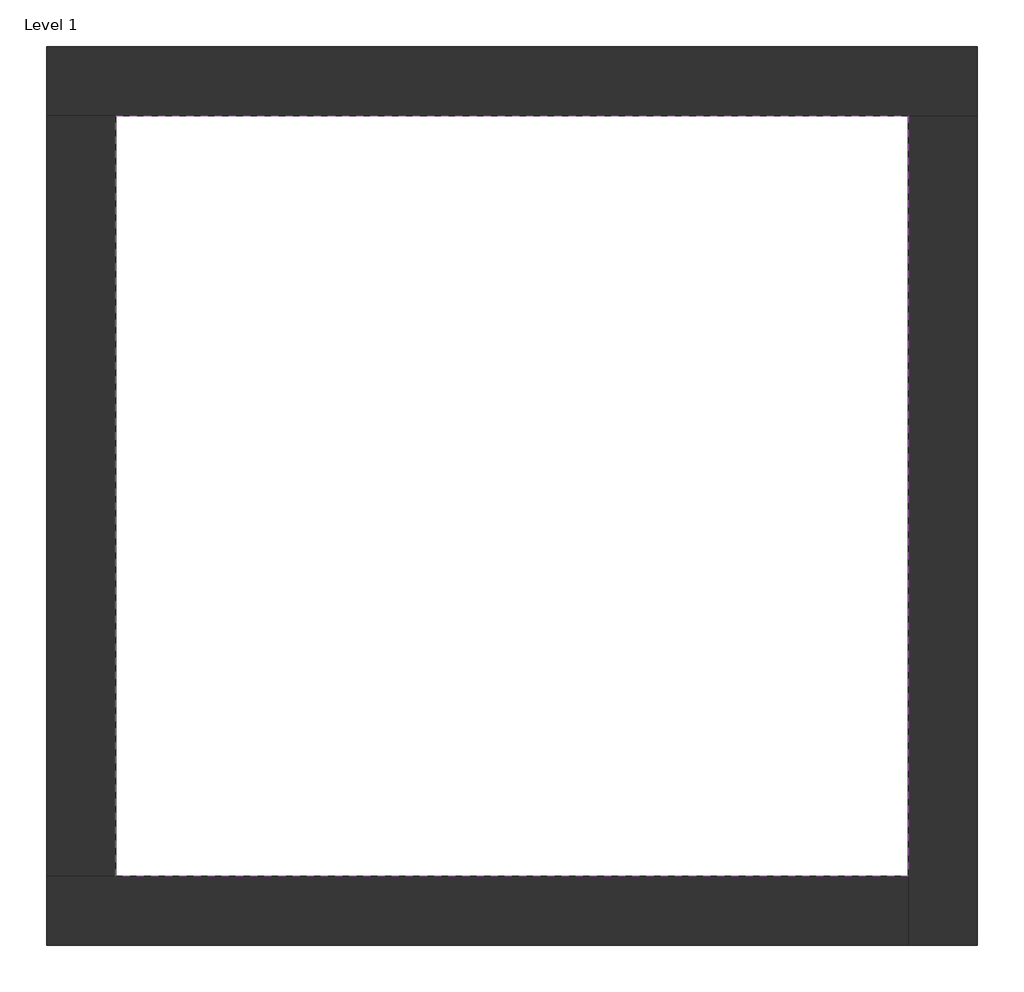
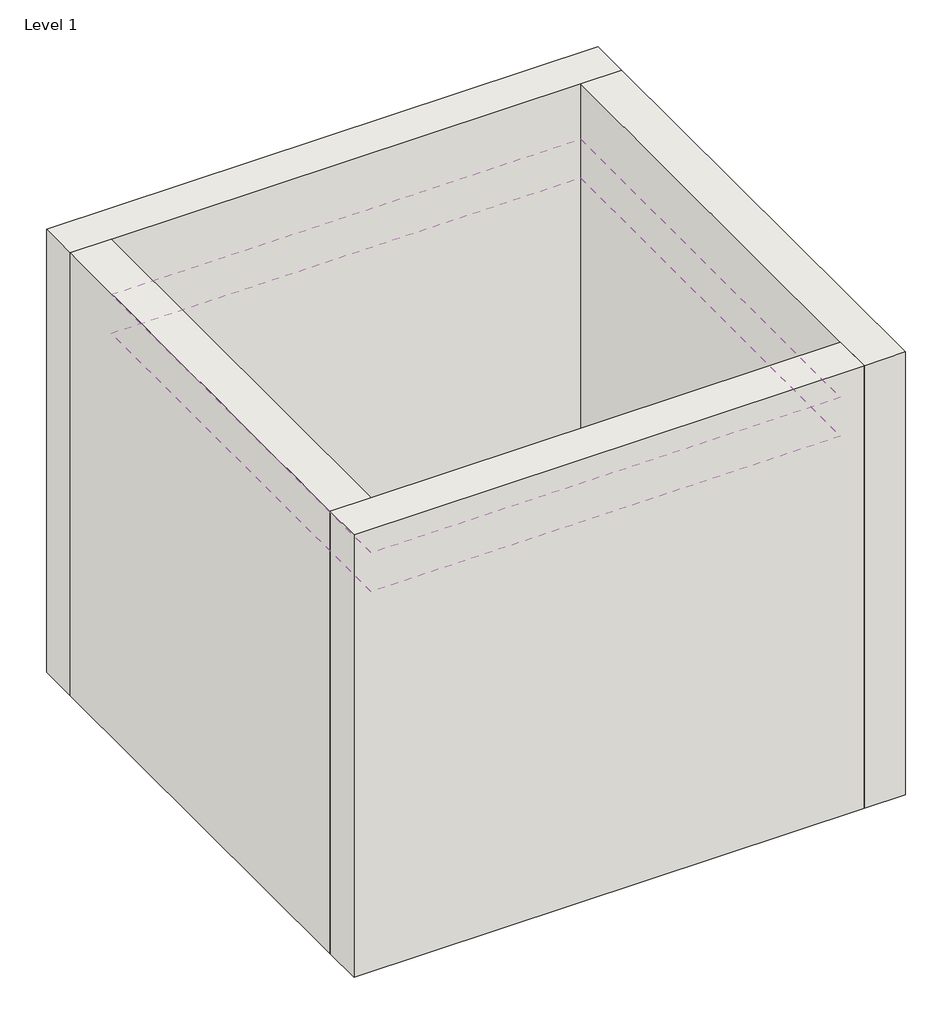
# One storey: 4 walls, 2 coverings.
"""IFC4 building model written with IfcOpenShell, lengths in millimetres."""

from ifc_helpers import new_model, si_unit, frame, origin, origin_with_axes, place, context, project, spatial, polyline, outline, extrude, faceted_brep, element, save

model = new_model("IFC4")

# Units and contexts
model_context = context("Model", 3, world=origin())
ifc_project = project(units=[si_unit("LENGTHUNIT", "METRE", prefix="MILLI")], contexts=[model_context])

# Site, building, storey
site = spatial("IfcSite", under=ifc_project)
building = spatial("IfcBuilding", under=site)
storey = spatial("IfcBuildingStorey", under=building, Name="Level 1", Elevation=0.0)

# Coverings
placement = place(None, origin())
element("IfcCovering", 1, at=placement, inside=storey, context=model_context, shape_type="SweptSolid", body=[
    extrude(outline(polyline([(-14894.8573003, 6921.2750283), (-10882.3573003, 6921.2750283), (-10882.3573003, 3071.2750283), (-14894.8573003, 3071.2750283), (-14894.8573003, 6921.2750283)])), frame((0.0, 0.0, 3500.0), z_axis=(0.0, 0.0, 1.0), x_axis=(1.0, 0.0, 0.0)), (0.0, 0.0, 1.0), 25.0),
])
element("IfcCovering", 2, at=placement, inside=storey, context=model_context, shape_type="SweptSolid", body=[
    extrude(outline(polyline([(-14894.8573003, 6921.2750283), (-10882.3573003, 6921.2750283), (-10882.3573003, 3071.2750283), (-14894.8573003, 3071.2750283), (-14894.8573003, 6921.2750283)])), frame((0.0, 0.0, 3150.0), z_axis=(0.0, 0.0, 1.0), x_axis=(1.0, 0.0, 0.0)), (0.0, 0.0, 1.0), 25.0),
])

# Walls
element("IfcWall", 3, ObjectType="Exterior - Brick on Mtl. Stud", at=placement, inside=storey, context=model_context, shape_type="Brep", body=[
    faceted_brep([(-15244.8573003, 6921.2750283, 0.0), (-14894.8573003, 6921.2750283, 0.0), (-10882.3573003, 6921.2750283, 0.0), (-10532.3573003, 6921.2750283, 0.0), (-10532.3573003, 6921.2750283, 4000.0), (-10882.3573003, 6921.2750283, 4000.0), (-14894.8573003, 6921.2750283, 4000.0), (-15244.8573003, 6921.2750283, 4000.0), (-15244.8573003, 7271.2750283, 0.0), (-15244.8573003, 7271.2750283, 4000.0), (-10532.3573003, 7271.2750283, 4000.0), (-10532.3573003, 7271.2750283, 0.0)], [[[0, 1, 2, 3, 4, 5, 6, 7]], [[8, 9, 10, 11]], [[3, 2, 1, 0, 8, 11]], [[7, 6, 5, 4, 10, 9]], [[0, 7, 9, 8]], [[4, 3, 11, 10]]]),
])
element("IfcWall", 4, ObjectType="Exterior - Brick on Mtl. Stud", at=placement, inside=storey, context=model_context, shape_type="Brep", body=[
    faceted_brep([(-10882.3573003, 6921.2750283, 0.0), (-10882.3573003, 3071.2750283, 0.0), (-10882.3573003, 2721.2750283, 0.0), (-10882.3573003, 2721.2750283, 4000.0), (-10882.3573003, 3071.2750283, 4000.0), (-10882.3573003, 6921.2750283, 4000.0), (-10532.3573003, 6921.2750283, 0.0), (-10532.3573003, 6921.2750283, 4000.0), (-10532.3573003, 2721.2750283, 4000.0), (-10532.3573003, 2721.2750283, 0.0)], [[[0, 1, 2, 3, 4, 5]], [[6, 7, 8, 9]], [[2, 1, 0, 6, 9]], [[5, 4, 3, 8, 7]], [[3, 2, 9, 8]], [[0, 5, 7, 6]]]),
])
element("IfcWall", 5, ObjectType="Exterior - Brick on Mtl. Stud", at=placement, inside=storey, context=model_context, shape_type="Brep", body=[
    faceted_brep([(-10882.3573003, 3071.2750283, 0.0), (-14894.8573003, 3071.2750283, 0.0), (-15244.8573003, 3071.2750283, 0.0), (-15244.8573003, 3071.2750283, 4000.0), (-14894.8573003, 3071.2750283, 4000.0), (-10882.3573003, 3071.2750283, 4000.0), (-10882.3573003, 2721.2750283, 0.0), (-10882.3573003, 2721.2750283, 4000.0), (-15244.8573003, 2721.2750283, 4000.0), (-15244.8573003, 2721.2750283, 0.0)], [[[0, 1, 2, 3, 4, 5]], [[6, 7, 8, 9]], [[2, 1, 0, 6, 9]], [[5, 4, 3, 8, 7]], [[3, 2, 9, 8]], [[0, 5, 7, 6]]]),
])
element("IfcWall", 6, ObjectType="Exterior - Brick on Mtl. Stud", at=placement, inside=storey, context=model_context, shape_type="SweptSolid", body=[
    extrude(outline(polyline([(-14894.8573003, 6921.2750283), (-14894.8573003, 3071.2750283), (-15244.8573003, 3071.2750283), (-15244.8573003, 6921.2750283), (-14894.8573003, 6921.2750283)])), origin_with_axes(), (0.0, 0.0, 1.0), 4000.0),
])

save(model, "model.ifc")
